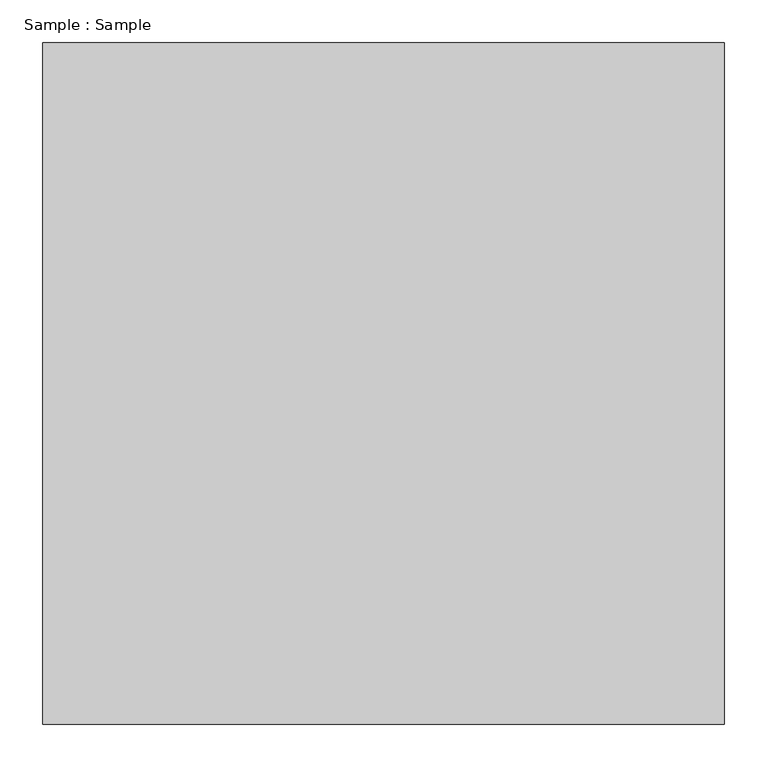
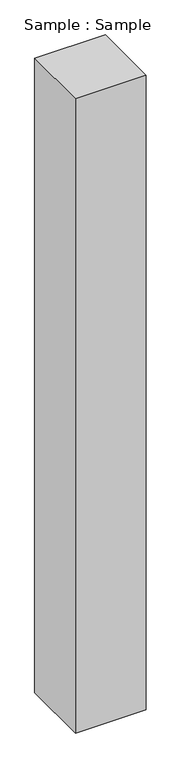
"""IFC4 building model written with IfcOpenShell, lengths in millimetres: proxy geometry, Sample : Sample."""

from ifc_helpers import new_model, si_unit, origin, origin_with_axes, place, context, project, spatial, polyline, outline, extrude, source, transform, mapped, element, save


def sample_sample_63657f5d(model_context):
    return source(origin(), model_context, "Body", "SweptSolid", [
        extrude(outline(polyline([(400.0, 400.0), (400.0, -400.0), (-400.0, -400.0), (-400.0, 400.0), (400.0, 400.0)])), origin_with_axes(), (0.0, 0.0, 1.0), 7586.2068966),
    ])


if __name__ == "__main__":
    model = new_model("IFC4")
    model_context = context("Model", 3, world=origin())
    ifc_project = project(units=[si_unit("LENGTHUNIT", "METRE", prefix="MILLI")], contexts=[model_context])
    site = spatial("IfcSite", under=ifc_project)
    building = spatial("IfcBuilding", under=site)
    placement = place(None, origin())
    sample_sample_shape = sample_sample_63657f5d(model_context)
    element("IfcBuildingElementProxy", 1, Name="Sample : Sample", ObjectType="Sample : Sample", at=placement, inside=building, context=model_context, shape_type="MappedRepresentation", body=[
        mapped(sample_sample_shape, transform((0.0, 0.0, 0.0), x_axis=(1.0, 0.0, 0.0), y_axis=(0.0, 1.0, 0.0), z_axis=(0.0, 0.0, 1.0))),
    ])
    save(model, "model.ifc")
